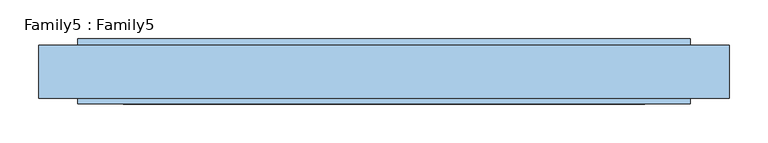
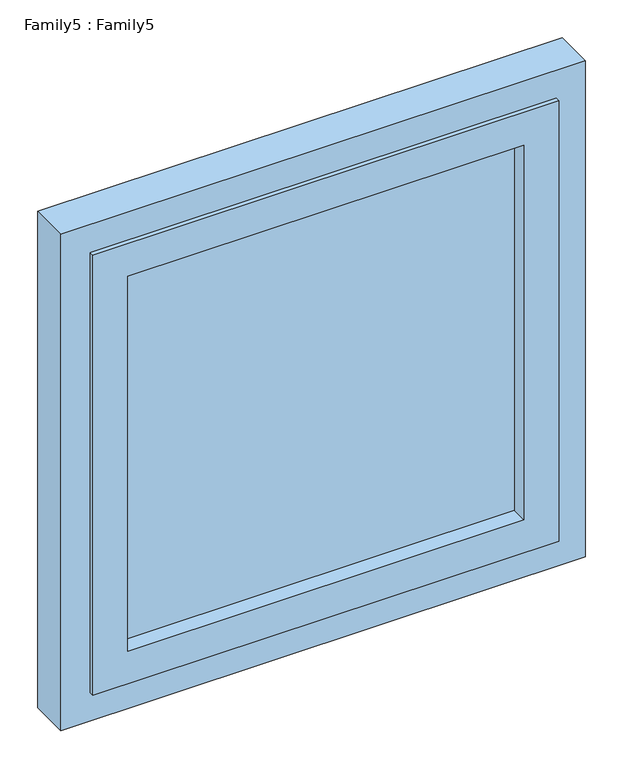
"""IFC4 building model written with IfcOpenShell, lengths in millimetres: window geometry, Family5 : Family5."""

from ifc_helpers import new_model, si_unit, frame, origin, place, context, project, spatial, polyline, outline, extrude, source, transform, mapped, element, save


def family5_family5_b0710190(model_context):
    return source(origin(), model_context, "Body", "SweptSolid", [
        extrude(outline(polyline([(336.0, 14.0), (336.0, 10.0), (-336.0, 10.0), (-336.0, 14.0), (336.0, 14.0)])), frame((0.0, 0.0, 909.0), z_axis=(0.0, 0.0, 1.0), x_axis=(1.0, 0.0, 0.0)), (0.0, 0.0, 1.0), 672.0),
        extrude(outline(polyline([(-336.0, -10.0), (336.0, -10.0), (336.0, -14.0), (-336.0, -14.0), (-336.0, -10.0)])), frame((0.0, 0.0, 909.0), z_axis=(0.0, 0.0, 1.0), x_axis=(1.0, 0.0, 0.0)), (0.0, 0.0, 1.0), 672.0),
        extrude(outline(polyline([(1640.0, 395.0), (1640.0, -395.0), (850.0, -395.0), (850.0, 395.0), (1640.0, 395.0)]), holes=[polyline([(909.0, 336.0), (909.0, -336.0), (1581.0, -336.0), (1581.0, 336.0), (909.0, 336.0)])]), frame((0.0, -42.0, 0.0), z_axis=(0.0, 1.0, 0.0), x_axis=(0.0, 0.0, 1.0)), (0.0, 0.0, 1.0), 84.0),
        extrude(outline(polyline([(1690.0, 445.0), (1690.0, -445.0), (800.0, -445.0), (800.0, 445.0), (1690.0, 445.0)]), holes=[polyline([(850.0, 395.0), (850.0, -395.0), (1640.0, -395.0), (1640.0, 395.0), (850.0, 395.0)])]), frame((0.0, -34.5705839, 0.0), z_axis=(0.0, 1.0, 0.0), x_axis=(0.0, 0.0, 1.0)), (0.0, 0.0, 1.0), 68.0514986),
    ])


if __name__ == "__main__":
    model = new_model("IFC4")
    model_context = context("Model", 3, world=origin())
    ifc_project = project(units=[si_unit("LENGTHUNIT", "METRE", prefix="MILLI")], contexts=[model_context])
    site = spatial("IfcSite", under=ifc_project)
    building = spatial("IfcBuilding", under=site)
    placement = place(None, origin())
    family5_family5_shape = family5_family5_b0710190(model_context)
    element("IfcWindow", 1, ObjectType="Family5 : Family5", at=placement, inside=building, context=model_context, shape_type="MappedRepresentation", body=[
        mapped(family5_family5_shape, transform((0.0, 0.0, 0.0), x_axis=(1.0, 0.0, 0.0), y_axis=(0.0, 1.0, 0.0), z_axis=(0.0, 0.0, 1.0))),
    ])
    save(model, "model.ifc")
